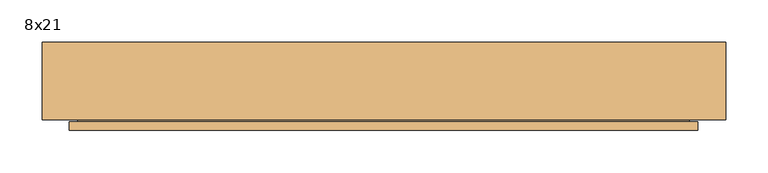
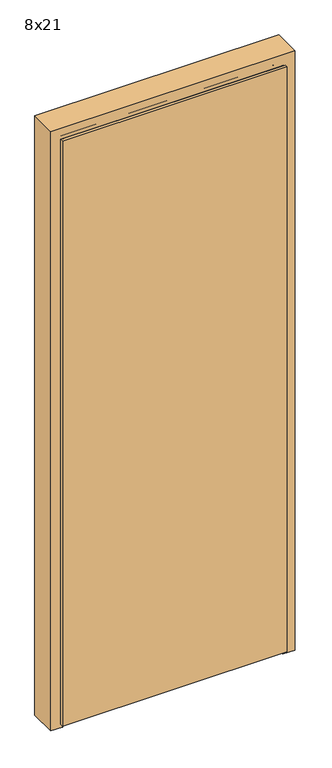
"""IFC4 building model written with IfcOpenShell, lengths in millimetres: door geometry, 8x21."""

from ifc_helpers import new_model, si_unit, frame, origin, place, context, project, spatial, circle_curve, ellipse_curve, faceted_brep, source, transform, mapped, element, save
from ifc_brep_helpers import plane_surface, cylinder_surface, advanced_brep


def door_8x21_f5cb956c(model_context):
    return source(origin(), model_context, "Body", "SolidModel", [
        advanced_brep(
        [(450.0, -60.0, 0.0), (412.0, -60.0, 0.0), (410.0, -58.0, 0.0), (410.0, -29.7107607, 0.0), (400.0, -29.7107607, 0.0), (398.0, -27.7107607, 0.0), (398.0, 30.0, 0.0), (400.0, 32.0, 0.0), (450.0, 32.0, 0.0), (450.0, 32.0, 2100.0), (450.0, -60.0, 2100.0), (400.0, 32.0, 2050.0), (-310.0, 32.0, 2050.0), (-310.0, 32.0, 0.0), (-360.0, 32.0, 0.0), (-360.0, 32.0, 2100.0), (398.0, 30.0, 2048.0), (398.0, -27.7107607, 2048.0), (400.0, -29.7107607, 2050.0), (410.0, -29.7107607, 2060.0), (-320.0, -29.7107607, 2060.0), (-320.0, -29.7107607, 0.0), (-310.0, -29.7107607, 0.0), (-310.0, -29.7107607, 2050.0), (410.0, -58.0, 2060.0), (412.0, -60.0, 2062.0), (-360.0, -60.0, 2100.0), (-360.0, -60.0, 0.0), (-322.0, -60.0, 0.0), (-322.0, -60.0, 2062.0), (-308.0, 30.0, 0.0), (-308.0, -27.7107607, 0.0), (-320.0, -58.0, 0.0), (-308.0, 30.0, 2048.0), (-308.0, -27.7107607, 2048.0), (-320.0, -58.0, 2060.0)],
        [
            (0, 1),
            (1, 2, circle_curve(frame((412.0, -58.0, 0.0), z_axis=(0.0, 0.0, -1.0), x_axis=(0.0, 1.0, 0.0)), 2.0)),
            (2, 3),
            (3, 4),
            (4, 5, circle_curve(frame((400.0, -27.7107607, 0.0), z_axis=(0.0, 0.0, -1.0), x_axis=(0.0, 1.0, 0.0)), 2.0)),
            (5, 6),
            (6, 7, circle_curve(frame((400.0, 30.0, 0.0), z_axis=(0.0, 0.0, -1.0), x_axis=(0.0, 1.0, 0.0)), 2.0)),
            (7, 8),
            (8, 0),
            (8, 9),
            (9, 10),
            (10, 0),
            (7, 11),
            (11, 12),
            (12, 13),
            (13, 14),
            (14, 15),
            (15, 9),
            (6, 16),
            (16, 11, ellipse_curve(frame((400.0, 30.0, 2050.0), z_axis=(0.7071067811865475, 0.0, -0.7071067811865475), x_axis=(-0.7071067811865474, 0.0, -0.7071067811865476)), 2.8284271, 2.0)),
            (5, 17),
            (17, 16),
            (4, 18),
            (18, 17, ellipse_curve(frame((400.0, -27.7107607, 2050.0), z_axis=(0.7071067811865475, 0.0, -0.7071067811865475), x_axis=(-0.7071067811865474, 0.0, -0.7071067811865476)), 2.8284271, 2.0)),
            (3, 19),
            (19, 20),
            (20, 21),
            (21, 22),
            (22, 23),
            (23, 18),
            (2, 24),
            (24, 19),
            (1, 25),
            (25, 24, ellipse_curve(frame((412.0, -58.0, 2062.0), z_axis=(0.7071067811865475, 0.0, -0.7071067811865475), x_axis=(-0.7071067811865474, 0.0, -0.7071067811865476)), 2.8284271, 2.0)),
            (10, 26),
            (26, 27),
            (27, 28),
            (28, 29),
            (29, 25),
            (14, 27),
            (26, 15),
            (13, 30, circle_curve(frame((-310.0, 30.0, 0.0), z_axis=(0.0, 0.0, -1.0), x_axis=(0.0, 1.0, 0.0)), 2.0)),
            (30, 31),
            (31, 22, circle_curve(frame((-310.0, -27.7107607, 0.0), z_axis=(0.0, 0.0, -1.0), x_axis=(0.0, 1.0, 0.0)), 2.0)),
            (21, 32),
            (32, 28, circle_curve(frame((-322.0, -58.0, 0.0), z_axis=(0.0, 0.0, -1.0), x_axis=(0.0, 1.0, 0.0)), 2.0)),
            (33, 30),
            (12, 33, ellipse_curve(frame((-310.0, 30.0, 2050.0), z_axis=(-0.7071067811865475, 0.0, -0.7071067811865475), x_axis=(-0.7071067811865474, 0.0, 0.7071067811865476)), 2.8284271, 2.0)),
            (31, 34),
            (34, 23, ellipse_curve(frame((-310.0, -27.7107607, 2050.0), z_axis=(-0.7071067811865475, 0.0, -0.7071067811865475), x_axis=(-0.7071067811865474, 0.0, 0.7071067811865476)), 2.8284271, 2.0)),
            (35, 32),
            (20, 35),
            (35, 29, ellipse_curve(frame((-322.0, -58.0, 2062.0), z_axis=(-0.7071067811865475, 0.0, -0.7071067811865475), x_axis=(-0.7071067811865474, 0.0, 0.7071067811865476)), 2.8284271, 2.0)),
            (33, 34),
            (16, 33),
            (17, 34),
            (24, 35),
        ],
        [
            plane_surface(frame((450.0, -60.0, 0.0), z_axis=(0.0, 0.0, -1.0), x_axis=(0.0, 1.0, 0.0))),
            plane_surface(frame((450.0, -60.0, 0.0), z_axis=(1.0, 0.0, 0.0), x_axis=(0.0, 0.0, 1.0))),
            plane_surface(frame((450.0, 32.0, 0.0), z_axis=(0.0, 1.0, 0.0), x_axis=(0.0, 0.0, 1.0))),
            cylinder_surface(frame((400.0, 30.0, 0.0), z_axis=(0.0, 0.0, -1.0), x_axis=(0.0, 1.0, 0.0)), 2.0),
            plane_surface(frame((398.0, 30.0, 0.0), z_axis=(-1.0, 0.0, 0.0), x_axis=(0.0, 0.0, 1.0))),
            cylinder_surface(frame((400.0, -27.7107607, 0.0), z_axis=(0.0, 0.0, -1.0), x_axis=(0.0, 1.0, 0.0)), 2.0),
            plane_surface(frame((400.0, -29.7107607, 0.0), z_axis=(0.0, -1.0, 0.0), x_axis=(0.0, 0.0, 1.0))),
            plane_surface(frame((410.0, -29.7107607, 0.0), z_axis=(-1.0, 0.0, 0.0), x_axis=(0.0, 0.0, 1.0))),
            cylinder_surface(frame((412.0, -58.0, 0.0), z_axis=(0.0, 0.0, -1.0), x_axis=(0.0, 1.0, 0.0)), 2.0),
            plane_surface(frame((412.0, -60.0, 0.0), z_axis=(0.0, -1.0, 0.0), x_axis=(0.0, 0.0, 1.0))),
            plane_surface(frame((-360.0, -60.0, 2100.0), z_axis=(-1.0, 0.0, 0.0), x_axis=(0.0, 0.0, -1.0))),
            plane_surface(frame((-360.0, -60.0, 0.0), z_axis=(0.0, 0.0, -1.0), x_axis=(0.0, 1.0, 0.0))),
            cylinder_surface(frame((-310.0, 30.0, 2100.0), z_axis=(0.0, 0.0, 1.0), x_axis=(0.0, 1.0, 0.0)), 2.0),
            cylinder_surface(frame((-310.0, -27.7107607, 2100.0), z_axis=(0.0, 0.0, 1.0), x_axis=(0.0, 1.0, 0.0)), 2.0),
            plane_surface(frame((-320.0, -29.7107607, 2060.0), z_axis=(1.0, 0.0, 0.0), x_axis=(0.0, 0.0, -1.0))),
            cylinder_surface(frame((-322.0, -58.0, 2100.0), z_axis=(0.0, 0.0, 1.0), x_axis=(0.0, 1.0, 0.0)), 2.0),
            plane_surface(frame((-308.0, 30.0, 2048.0), z_axis=(1.0, 0.0, 0.0), x_axis=(0.0, 0.0, -1.0))),
            plane_surface(frame((450.0, -60.0, 2100.0), z_axis=(0.0, 0.0, 1.0), x_axis=(-1.0, 0.0, 0.0))),
            cylinder_surface(frame((450.0, 30.0, 2050.0), z_axis=(1.0, 0.0, 0.0), x_axis=(0.0, 1.0, 0.0)), 2.0),
            plane_surface(frame((398.0, 30.0, 2048.0), z_axis=(0.0, 0.0, -1.0), x_axis=(-1.0, 0.0, 0.0))),
            cylinder_surface(frame((450.0, -27.7107607, 2050.0), z_axis=(1.0, 0.0, 0.0), x_axis=(0.0, 1.0, 0.0)), 2.0),
            plane_surface(frame((410.0, -29.7107607, 2060.0), z_axis=(0.0, 0.0, -1.0), x_axis=(-1.0, 0.0, 0.0))),
            cylinder_surface(frame((450.0, -58.0, 2062.0), z_axis=(1.0, 0.0, 0.0), x_axis=(0.0, 1.0, 0.0)), 2.0),
        ],
        [
            (0, [[1, 2, 3, 4, 5, 6, 7, 8, 9]]),
            (1, [[10, 11, 12, -9]]),
            (2, [[13, 14, 15, 16, 17, 18, -10, -8]]),
            (3, [[19, 20, -13, -7]]),
            (4, [[21, 22, -19, -6]]),
            (5, [[23, 24, -21, -5]]),
            (6, [[25, 26, 27, 28, 29, 30, -23, -4]]),
            (7, [[31, 32, -25, -3]]),
            (8, [[33, 34, -31, -2]]),
            (9, [[-12, 35, 36, 37, 38, 39, -33, -1]]),
            (10, [[-17, 40, -36, 41]]),
            (11, [[-40, -16, 42, 43, 44, -28, 45, 46, -37]]),
            (12, [[47, -42, -15, 48]]),
            (13, [[-29, -44, 49, 50]]),
            (14, [[51, -45, -27, 52]]),
            (15, [[-38, -46, -51, 53]]),
            (16, [[-49, -43, -47, 54]]),
            (17, [[-18, -41, -35, -11]]),
            (18, [[55, -48, -14, -20]]),
            (19, [[56, -54, -55, -22]]),
            (20, [[-30, -50, -56, -24]]),
            (21, [[57, -52, -26, -32]]),
            (22, [[-39, -53, -57, -34]]),
        ],
    ),
        faceted_brep([(416.9, -62.194907, 13.0), (416.9, -72.194907, 13.0), (-328.1, -72.194907, 13.0), (-328.1, -62.194907, 13.0), (416.9, -62.194907, 2063.0), (-328.1, -62.194907, 2063.0), (406.9, -62.194907, 18.0), (406.9, -62.194907, 2058.0), (-318.1, -62.194907, 2058.0), (-318.1, -62.194907, 18.0), (-328.1, -72.194907, 2063.0), (416.9, -72.194907, 2063.0), (404.9, -32.194907, 2058.0), (404.9, -32.194907, 18.0), (-316.1, -32.194907, 18.0), (-316.1, -32.194907, 2058.0)], [[[0, 1, 2, 3]], [[4, 0, 3, 5], [6, 7, 8, 9]], [[3, 2, 10, 5]], [[10, 2, 1, 11]], [[11, 1, 0, 4]], [[12, 7, 6, 13]], [[13, 14, 15, 12]], [[9, 14, 13, 6]], [[8, 15, 14, 9]], [[5, 10, 11, 4]], [[7, 12, 15, 8]]]),
    ])


if __name__ == "__main__":
    model = new_model("IFC4")
    model_context = context("Model", 3, world=origin())
    ifc_project = project(units=[si_unit("LENGTHUNIT", "METRE", prefix="MILLI")], contexts=[model_context])
    site = spatial("IfcSite", under=ifc_project)
    building = spatial("IfcBuilding", under=site)
    placement = place(None, origin())
    door_8x21_shape = door_8x21_f5cb956c(model_context)
    element("IfcDoor", 1, ObjectType="8x21", at=placement, inside=building, context=model_context, shape_type="MappedRepresentation", body=[
        mapped(door_8x21_shape, transform((0.0, 0.0, 0.0), x_axis=(1.0, 0.0, 0.0), y_axis=(0.0, 1.0, 0.0), z_axis=(0.0, 0.0, 1.0))),
    ])
    save(model, "model.ifc")
